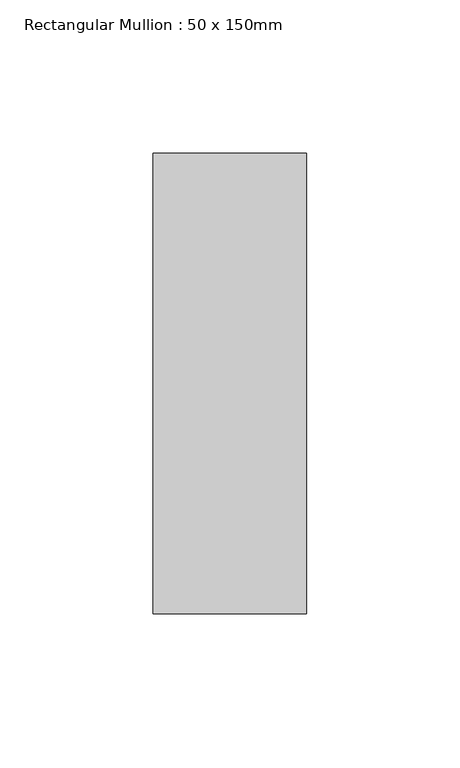
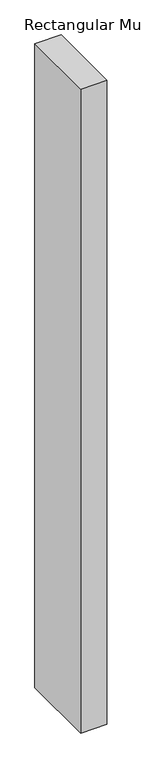
"""IFC4 building model written with IfcOpenShell, lengths in millimetres: member geometry, Rectangular Mullion : 50 x 150mm."""

from ifc_helpers import new_model, si_unit, frame, origin, place, context, project, spatial, polyline, outline, extrude, source, transform, mapped, element, save


def rectangular_mullion_50_x_150mm_23907fe0(model_context):
    return source(origin(), model_context, "Body", "SweptSolid", [
        extrude(outline(polyline([(25.0, 75.0), (25.0, -75.0), (-25.0, -75.0), (-25.0, 75.0), (25.0, 75.0)])), frame((0.0, 0.0, -1290.625), z_axis=(0.0, 0.0, 1.0), x_axis=(1.0, 0.0, 0.0)), (0.0, 0.0, 1.0), 1290.625),
    ])


if __name__ == "__main__":
    model = new_model("IFC4")
    model_context = context("Model", 3, world=origin())
    ifc_project = project(units=[si_unit("LENGTHUNIT", "METRE", prefix="MILLI")], contexts=[model_context])
    site = spatial("IfcSite", under=ifc_project)
    building = spatial("IfcBuilding", under=site)
    placement = place(None, origin())
    rectangular_mullion_50_x_150mm_shape = rectangular_mullion_50_x_150mm_23907fe0(model_context)
    element("IfcMember", 1, ObjectType="Rectangular Mullion : 50 x 150mm", at=placement, inside=building, context=model_context, shape_type="MappedRepresentation", body=[
        mapped(rectangular_mullion_50_x_150mm_shape, transform((0.0, 0.0, 0.0), x_axis=(1.0, 0.0, 0.0), y_axis=(0.0, 1.0, 0.0), z_axis=(0.0, 0.0, 1.0))),
    ])
    save(model, "model.ifc")
